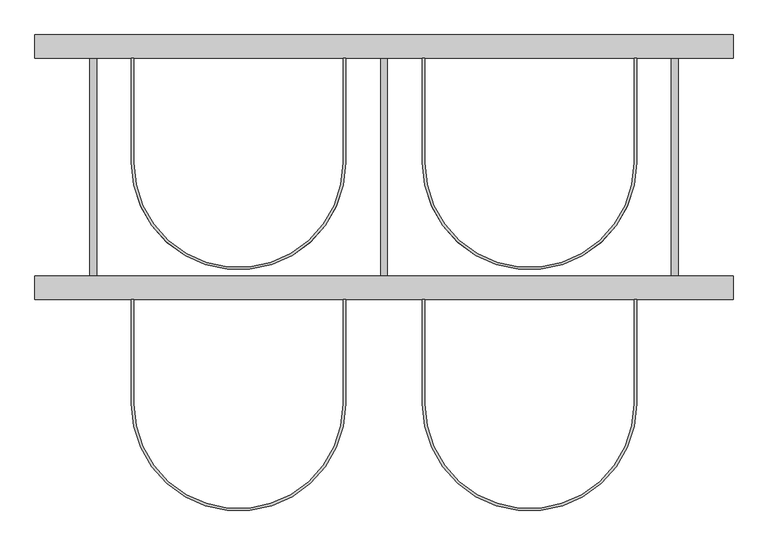
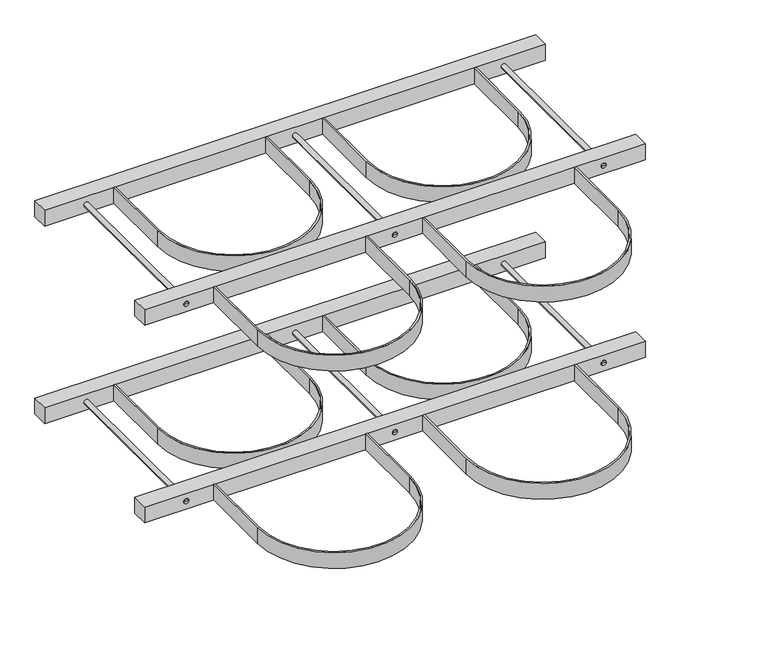
"""IFC4 building model written with IfcOpenShell, lengths in millimetres: proxy geometry."""

import ifcopenshell
import ifcopenshell.guid

model = None  # the IFC model being written
_history = None  # IfcOwnerHistory: only IFC2X3 demands one
_inside = {}  # id of a spatial element -> (the spatial element, [elements in it])
_under = {}  # id of a project, library or spatial element -> (it, [spatial elements below it])
_declared = {}  # id of a project -> (the project, [libraries it declares])
_typed = {}  # id of a type object -> (the type object, [elements of that type])
_made_of = {}  # id of a material, layer set ... -> (it, [elements and type objects made of it])


def new_model(schema):
    """Start an empty IFC model of exactly this schema.

    Asked for "IFC4X3", IfcOpenShell would pick the latest addendum, in which some entities
    have other attributes; the version numbers below select the first issue.
    IFC2X3 requires an IfcOwnerHistory on every rooted entity: one is made here for all.
    """
    global model, _history
    if schema == "IFC4X3":
        model = ifcopenshell.file(schema_version=(4, 3, 0, 0))
    else:
        model = ifcopenshell.file(schema=schema)
    _inside.clear()
    _under.clear()
    _declared.clear()
    _typed.clear()
    _made_of.clear()
    _history = None
    if model.schema == "IFC2X3":
        org = make("IfcOrganization", Name="unknown")
        user = make(
            "IfcPersonAndOrganization",
            ThePerson=make("IfcPerson", FamilyName="unknown"),
            TheOrganization=org,
        )
        app = make(
            "IfcApplication",
            ApplicationDeveloper=org,
            Version="unknown",
            ApplicationFullName="unknown",
            ApplicationIdentifier="unknown",
        )
        _history = make(
            "IfcOwnerHistory",
            OwningUser=user,
            OwningApplication=app,
            ChangeAction="ADDED",
            CreationDate=0,
        )
    return model


def make(cls, **values):
    """One entity of the class cls with the attributes given. An attribute that is None is left unset."""
    return model.create_entity(
        cls, **{name: value for name, value in values.items() if value is not None}
    )


def rooted(cls, **values):
    """An entity with a GlobalId (a new one), such as an element, a storey or a relation."""
    return make(cls, GlobalId=ifcopenshell.guid.new(), OwnerHistory=_history, **values)


def si_unit(unit_type, name, prefix=None):
    """IfcSIUnit, for example si_unit("LENGTHUNIT", "METRE", prefix="MILLI")."""
    return make("IfcSIUnit", UnitType=unit_type, Prefix=prefix, Name=name)


def assignment(units):
    """IfcUnitAssignment: the units of a project."""
    return None if units is None else make("IfcUnitAssignment", Units=units)


def point(xyz):
    """IfcCartesianPoint."""
    return None if xyz is None else make("IfcCartesianPoint", Coordinates=xyz)


def direction(xyz):
    """IfcDirection."""
    return None if xyz is None else make("IfcDirection", DirectionRatios=xyz)


def frame(location, z_axis=None, x_axis=None):
    """IfcAxis2Placement3D, a coordinate frame: its origin and axes. An axis left out is left unset."""
    return make(
        "IfcAxis2Placement3D",
        Location=point(location),
        Axis=direction(z_axis),
        RefDirection=direction(x_axis),
    )


def frame_2d(location, x_axis=None):
    """IfcAxis2Placement2D, a coordinate frame in the plane: its origin and x axis."""
    return make(
        "IfcAxis2Placement2D", Location=point(location), RefDirection=direction(x_axis)
    )


def origin():
    """The frame at (0, 0, 0) with its axes left unset."""
    return frame((0.0, 0.0, 0.0))


def origin_2d():
    """The frame at (0, 0) in the plane with its x axis left unset."""
    return frame_2d((0.0, 0.0))


def place(relative_to, where):
    """IfcLocalPlacement: puts the frame where relative to a parent placement (None: the world)."""
    return make(
        "IfcLocalPlacement", PlacementRelTo=relative_to, RelativePlacement=where
    )


def context(
    kind, dimensions, precision=None, world=None, true_north=None, identifier=None
):
    """IfcGeometricRepresentationContext, for example the 3D "Model" context."""
    return make(
        "IfcGeometricRepresentationContext",
        ContextIdentifier=identifier,
        ContextType=kind,
        CoordinateSpaceDimension=dimensions,
        Precision=precision,
        WorldCoordinateSystem=world,
        TrueNorth=true_north,
    )


def project(units=None, contexts=None):
    """IfcProject with its units and contexts."""
    return rooted(
        "IfcProject",
        Name="project",
        RepresentationContexts=contexts,
        UnitsInContext=assignment(units),
    )


def spatial(cls, under=None, at=None, **own):
    """A site, building, storey or space (cls), placed at a placement, below another one or the project."""
    s = rooted(cls, ObjectPlacement=at, **own)
    if under is not None:
        _under.setdefault(under.id(), (under, []))[1].append(s)
    return s


def polyline(points):
    """IfcPolyline through the points."""
    return make("IfcPolyline", Points=[point(p) for p in points])


def circle_curve(where, radius):
    """IfcCircle in the frame where."""
    return make("IfcCircle", Position=where, Radius=radius)


def trimmed(basis, trim1, trim2, sense, master):
    """IfcTrimmedCurve: the piece of a basis curve between two trims."""
    return make(
        "IfcTrimmedCurve",
        BasisCurve=basis,
        Trim1=trim1,
        Trim2=trim2,
        SenseAgreement=sense,
        MasterRepresentation=master,
    )


def segment(curve, same_sense, transition):
    """IfcCompositeCurveSegment."""
    return make(
        "IfcCompositeCurveSegment",
        Transition=transition,
        SameSense=same_sense,
        ParentCurve=curve,
    )


def composite_curve(segments, self_intersect=None):
    """IfcCompositeCurve: segments joined end to end."""
    return make("IfcCompositeCurve", Segments=segments, SelfIntersect=self_intersect)


def outline(outer, holes=None, kind="AREA"):
    """IfcArbitraryClosedProfileDef: a profile drawn as a closed curve; with holes, ...WithVoids."""
    if holes is None:
        return make("IfcArbitraryClosedProfileDef", ProfileType=kind, OuterCurve=outer)
    return make(
        "IfcArbitraryProfileDefWithVoids",
        ProfileType=kind,
        OuterCurve=outer,
        InnerCurves=holes,
    )


def extrude(swept, where, along, depth):
    """IfcExtrudedAreaSolid: the profile swept, set in the frame where, extruded along a direction by depth."""
    return make(
        "IfcExtrudedAreaSolid",
        SweptArea=swept,
        Position=where,
        ExtrudedDirection=direction(along),
        Depth=depth,
    )


def shape(context_of_items, identifier, shape_type, items):
    """IfcShapeRepresentation: the items that make up one representation, for example the "Body"."""
    return make(
        "IfcShapeRepresentation",
        ContextOfItems=context_of_items,
        RepresentationIdentifier=identifier,
        RepresentationType=shape_type,
        Items=items,
    )


def source(mapping_origin, context_of_items, identifier, shape_type, items):
    """IfcRepresentationMap: a shape defined once, which mapped items show again and again."""
    return make(
        "IfcRepresentationMap",
        MappingOrigin=mapping_origin,
        MappedRepresentation=shape(context_of_items, identifier, shape_type, items),
    )


def transform(
    local_origin,
    x_axis=None,
    y_axis=None,
    z_axis=None,
    scale=None,
    scale2=None,
    scale3=None,
    uniform=True,
):
    """IfcCartesianTransformationOperator3D, or its non-uniform kind. x_axis, y_axis, z_axis: its Axis1, 2, 3."""
    if uniform:
        return make(
            "IfcCartesianTransformationOperator3D",
            Axis1=direction(x_axis),
            Axis2=direction(y_axis),
            LocalOrigin=point(local_origin),
            Scale=scale,
            Axis3=direction(z_axis),
        )
    return make(
        "IfcCartesianTransformationOperator3DnonUniform",
        Axis1=direction(x_axis),
        Axis2=direction(y_axis),
        LocalOrigin=point(local_origin),
        Scale=scale,
        Axis3=direction(z_axis),
        Scale2=scale2,
        Scale3=scale3,
    )


def mapped(mapping_source, mapping_target):
    """IfcMappedItem: shows the shape of a source again, moved by a transform."""
    return make(
        "IfcMappedItem", MappingSource=mapping_source, MappingTarget=mapping_target
    )


def made_of(thing, what):
    """Note that an element or type object is made of a material, layer set ...; save() writes the relation."""
    if what is not None:
        _made_of.setdefault(what.id(), (what, []))[1].append(thing)
    return thing


def element(
    cls,
    number,
    at=None,
    inside=None,
    cuts=None,
    type_object=None,
    material=None,
    context=None,
    identifier="Body",
    shape_type=None,
    held_by="IfcProductDefinitionShape",
    body=None,
    shapes=None,
    **own,
):
    """One element of the class cls, such as IfcWall. Its Tag is "e" and its number.

    at: its placement. inside: the storey or other place that contains it. cuts: it is an
    opening in that element (IfcRelVoidsElement). A single representation is given by context,
    identifier, shape_type and body (its items); several are given by shapes. held_by: the class
    of the entity that holds the representations. save() writes the other relations.
    """
    e = rooted(cls, Tag="e%d" % number, ObjectPlacement=at, **own)
    if body is not None:
        shapes = [shape(context, identifier, shape_type, body)]
    if shapes is not None:
        e.Representation = make(held_by, Representations=shapes)
    if inside is not None:
        _inside.setdefault(inside.id(), (inside, []))[1].append(e)
    if cuts is not None:
        rooted(
            "IfcRelVoidsElement", RelatingBuildingElement=cuts, RelatedOpeningElement=e
        )
    if type_object is not None:
        _typed.setdefault(type_object.id(), (type_object, []))[1].append(e)
    return made_of(e, material)


def aggregate(whole, parts):
    """IfcRelAggregates: a whole, such as a stair, and the parts it consists of."""
    return rooted("IfcRelAggregates", RelatingObject=whole, RelatedObjects=parts)


def save(model, path):
    """Write the relations noted so far, then the file.

    IfcRelAggregates (storeys below a building ...), IfcRelContainedInSpatialStructure (elements
    in a storey), IfcRelDefinesByType, IfcRelAssociatesMaterial and IfcRelDeclares: one each for
    every whole, place, type object, material and project.
    """
    for whole, parts in _under.values():
        aggregate(whole, parts)
    for where, things in _inside.values():
        rooted(
            "IfcRelContainedInSpatialStructure",
            RelatedElements=things,
            RelatingStructure=where,
        )
    for kind, things in _typed.values():
        rooted("IfcRelDefinesByType", RelatedObjects=things, RelatingType=kind)
    for what, things in _made_of.values():
        rooted("IfcRelAssociatesMaterial", RelatedObjects=things, RelatingMaterial=what)
    for by, libraries in _declared.values():
        rooted("IfcRelDeclares", RelatingContext=by, RelatedDefinitions=libraries)
    model.write(path)


def plane_surface(at):
    """IfcPlane: the flat surface through the origin of the frame at, square to its z axis."""
    return make("IfcPlane", Position=at)


def cylinder_surface(at, radius):
    """IfcCylindricalSurface: all points at the distance radius from the z axis of the frame at."""
    return make("IfcCylindricalSurface", Position=at, Radius=radius)


def advanced_brep(points, edges, surfaces, faces):
    """IfcAdvancedBrep: a solid bounded by faces that lie on surfaces and meet in shared edges.

    An edge is (start, end): straight between two places in points (the first is 0);
    or (start, end, curve); or (start, end, curve, False) where it runs against its curve.
    A face is (place in surfaces, loops), or (place, loops, False) where it looks against
    its surface's normal. A loop lists edges by number (the first is 1), with a minus sign
    where the edge is run from its end to its start. The first loop is the outer one.
    """
    corners = [point(p) for p in points]
    vertices = [make("IfcVertexPoint", VertexGeometry=c) for c in corners]
    made = []
    for start, end, *more in edges:
        made.append(
            make(
                "IfcEdgeCurve",
                EdgeStart=vertices[start],
                EdgeEnd=vertices[end],
                EdgeGeometry=more[0] if more else make("IfcPolyline", Points=[corners[start], corners[end]]),
                SameSense=more[1] if len(more) > 1 else True,
            )
        )
    hull = []
    for where, loops, *sense in faces:
        bounds = []
        for j, loop in enumerate(loops):
            ring = [make("IfcOrientedEdge", EdgeElement=made[abs(k) - 1], Orientation=k > 0) for k in loop]
            bounds.append(
                make(
                    "IfcFaceOuterBound" if j == 0 else "IfcFaceBound",
                    Bound=make("IfcEdgeLoop", EdgeList=ring),
                    Orientation=True,
                )
            )
        hull.append(make("IfcAdvancedFace", Bounds=bounds, FaceSurface=surfaces[where], SameSense=sense[0] if sense else True))
    return make("IfcAdvancedBrep", Outer=make("IfcClosedShell", CfsFaces=hull))


def specialty_equipment_67b594d6(model_context):
    return source(origin(), model_context, "Body", "SolidModel", [
        extrude(outline(composite_curve([segment(polyline([(320.0, -235.0), (320.0, -415.0)]), True, "CONTINUOUS"), segment(trimmed(circle_curve(frame_2d((500.0, -415.0)), 180.0), [point((320.0, -415.0))], [point((680.0, -415.0))], True, "CARTESIAN"), True, "CONTINUOUS"), segment(polyline([(680.0, -415.0), (680.0, -235.0), (684.0, -235.0), (684.0, -415.0)]), True, "CONTINUOUS"), segment(trimmed(circle_curve(frame_2d((500.0, -415.0)), 184.0), [point((684.0, -415.0))], [point((316.0, -415.0))], False, "CARTESIAN"), True, "CONTINUOUS"), segment(polyline([(316.0, -415.0), (316.0, -235.0), (320.0, -235.0)]), True, "CONTINUOUS")], self_intersect=False)), frame((0.0, 0.0, 780.0), z_axis=(0.0, 0.0, 1.0), x_axis=(1.0, 0.0, 0.0)), (0.0, 0.0, 1.0), 40.0),
        advanced_brep(
        [(756.0, -235.0, 800.0), (744.0, -235.0, 800.0), (744.0, 180.0, 800.0), (756.0, 180.0, 800.0), (750.0, -235.0, 800.0), (750.0, 180.0, 800.0)],
        [
            (0, 1, circle_curve(frame((750.0, -235.0, 800.0), z_axis=(0.0, 1.0, 0.0), x_axis=(-1.0, 0.0, 0.0)), 6.0)),
            (1, 2),
            (2, 3, circle_curve(frame((750.0, 180.0, 800.0), z_axis=(0.0, -1.0, 0.0), x_axis=(-1.0, 0.0, 0.0)), 6.0)),
            (3, 0),
            (1, 0, circle_curve(frame((750.0, -235.0, 800.0), z_axis=(0.0, 1.0, 0.0), x_axis=(-1.0, 0.0, 0.0)), 6.0)),
            (3, 2, circle_curve(frame((750.0, 180.0, 800.0), z_axis=(0.0, -1.0, 0.0), x_axis=(-1.0, 0.0, 0.0)), 6.0)),
            (4, 1),
            (0, 4),
            (2, 5),
            (5, 3),
        ],
        [
            cylinder_surface(frame((750.0, 1704.0, 800.0), z_axis=(0.0, -1.0, 0.0), x_axis=(-1.0, 0.0, 0.0)), 6.0),
            plane_surface(frame((750.0, -235.0, 800.0), z_axis=(0.0, -1.0, 0.0), x_axis=(-1.0, 0.0, 0.0))),
            plane_surface(frame((750.0, 180.0, 800.0), z_axis=(0.0, 1.0, 0.0), x_axis=(-1.0, 0.0, 0.0))),
        ],
        [
            (0, [[1, 2, 3, 4]]),
            (0, [[5, -4, 6, -2]]),
            (1, [[7, -1, 8]]),
            (1, [[-8, -5, -7]]),
            (2, [[-3, 9, 10]]),
            (2, [[-6, -10, -9]]),
        ],
    ),
        advanced_brep(
        [(256.0, -235.0, 800.0), (244.0, -235.0, 800.0), (244.0, 180.0, 800.0), (256.0, 180.0, 800.0), (250.0, -235.0, 800.0), (250.0, 180.0, 800.0)],
        [
            (0, 1, circle_curve(frame((250.0, -235.0, 800.0), z_axis=(0.0, 1.0, 0.0), x_axis=(-1.0, 0.0, 0.0)), 6.0)),
            (1, 2),
            (2, 3, circle_curve(frame((250.0, 180.0, 800.0), z_axis=(0.0, -1.0, 0.0), x_axis=(-1.0, 0.0, 0.0)), 6.0)),
            (3, 0),
            (1, 0, circle_curve(frame((250.0, -235.0, 800.0), z_axis=(0.0, 1.0, 0.0), x_axis=(-1.0, 0.0, 0.0)), 6.0)),
            (3, 2, circle_curve(frame((250.0, 180.0, 800.0), z_axis=(0.0, -1.0, 0.0), x_axis=(-1.0, 0.0, 0.0)), 6.0)),
            (4, 1),
            (0, 4),
            (2, 5),
            (5, 3),
        ],
        [
            cylinder_surface(frame((250.0, 1704.0, 800.0), z_axis=(0.0, -1.0, 0.0), x_axis=(-1.0, 0.0, 0.0)), 6.0),
            plane_surface(frame((250.0, -235.0, 800.0), z_axis=(0.0, -1.0, 0.0), x_axis=(-1.0, 0.0, 0.0))),
            plane_surface(frame((250.0, 180.0, 800.0), z_axis=(0.0, 1.0, 0.0), x_axis=(-1.0, 0.0, 0.0))),
        ],
        [
            (0, [[1, 2, 3, 4]]),
            (0, [[5, -4, 6, -2]]),
            (1, [[7, -1, 8]]),
            (1, [[-8, -5, -7]]),
            (2, [[-3, 9, 10]]),
            (2, [[-6, -10, -9]]),
        ],
    ),
        extrude(outline(composite_curve([segment(polyline([(-180.0, -235.0), (-180.0, -415.0)]), True, "CONTINUOUS"), segment(trimmed(circle_curve(frame_2d((0.0, -415.0)), 180.0), [point((-180.0, -415.0))], [point((180.0, -415.0))], True, "CARTESIAN"), True, "CONTINUOUS"), segment(polyline([(180.0, -415.0), (180.0, -235.0), (184.0, -235.0), (184.0, -415.0)]), True, "CONTINUOUS"), segment(trimmed(circle_curve(frame_2d((0.0, -415.0)), 184.0), [point((184.0, -415.0))], [point((-184.0, -415.0))], False, "CARTESIAN"), True, "CONTINUOUS"), segment(polyline([(-184.0, -415.0), (-184.0, -235.0), (-180.0, -235.0)]), True, "CONTINUOUS")], self_intersect=False)), frame((0.0, 0.0, 780.0), z_axis=(0.0, 0.0, 1.0), x_axis=(1.0, 0.0, 0.0)), (0.0, 0.0, 1.0), 40.0),
        advanced_brep(
        [(-244.0, -235.0, 800.0), (-256.0, -235.0, 800.0), (-256.0, 180.0, 800.0), (-244.0, 180.0, 800.0), (-250.0, -235.0, 800.0), (-250.0, 180.0, 800.0)],
        [
            (0, 1, circle_curve(frame((-250.0, -235.0, 800.0), z_axis=(0.0, 1.0, 0.0), x_axis=(-1.0, 0.0, 0.0)), 6.0)),
            (1, 2),
            (2, 3, circle_curve(frame((-250.0, 180.0, 800.0), z_axis=(0.0, -1.0, 0.0), x_axis=(-1.0, 0.0, 0.0)), 6.0)),
            (3, 0),
            (1, 0, circle_curve(frame((-250.0, -235.0, 800.0), z_axis=(0.0, 1.0, 0.0), x_axis=(-1.0, 0.0, 0.0)), 6.0)),
            (3, 2, circle_curve(frame((-250.0, 180.0, 800.0), z_axis=(0.0, -1.0, 0.0), x_axis=(-1.0, 0.0, 0.0)), 6.0)),
            (4, 1),
            (0, 4),
            (2, 5),
            (5, 3),
        ],
        [
            cylinder_surface(frame((-250.0, 1704.0, 800.0), z_axis=(0.0, -1.0, 0.0), x_axis=(-1.0, 0.0, 0.0)), 6.0),
            plane_surface(frame((-250.0, -235.0, 800.0), z_axis=(0.0, -1.0, 0.0), x_axis=(-1.0, 0.0, 0.0))),
            plane_surface(frame((-250.0, 180.0, 800.0), z_axis=(0.0, 1.0, 0.0), x_axis=(-1.0, 0.0, 0.0))),
        ],
        [
            (0, [[1, 2, 3, 4]]),
            (0, [[5, -4, 6, -2]]),
            (1, [[7, -1, 8]]),
            (1, [[-8, -5, -7]]),
            (2, [[-3, 9, 10]]),
            (2, [[-6, -10, -9]]),
        ],
    ),
        extrude(outline(composite_curve([segment(polyline([(320.0, 180.0), (320.0, 0.0)]), True, "CONTINUOUS"), segment(trimmed(circle_curve(frame_2d((500.0, 0.0)), 180.0), [point((320.0, 0.0))], [point((680.0, 0.0))], True, "CARTESIAN"), True, "CONTINUOUS"), segment(polyline([(680.0, 0.0), (680.0, 180.0), (684.0, 180.0), (684.0, 0.0)]), True, "CONTINUOUS"), segment(trimmed(circle_curve(frame_2d((500.0, 0.0)), 184.0), [point((684.0, 0.0))], [point((316.0, 0.0))], False, "CARTESIAN"), True, "CONTINUOUS"), segment(polyline([(316.0, 0.0), (316.0, 180.0), (320.0, 180.0)]), True, "CONTINUOUS")], self_intersect=False)), frame((0.0, 0.0, 780.0), z_axis=(0.0, 0.0, 1.0), x_axis=(1.0, 0.0, 0.0)), (0.0, 0.0, 1.0), 40.0),
        extrude(outline(composite_curve([segment(polyline([(-180.0, 180.0), (-180.0, 0.0)]), True, "CONTINUOUS"), segment(trimmed(circle_curve(origin_2d(), 180.0), [point((-180.0, 0.0))], [point((180.0, 0.0))], True, "CARTESIAN"), True, "CONTINUOUS"), segment(polyline([(180.0, 0.0), (180.0, 180.0), (184.0, 180.0), (184.0, 0.0)]), True, "CONTINUOUS"), segment(trimmed(circle_curve(origin_2d(), 184.0), [point((184.0, 0.0))], [point((-184.0, 0.0))], False, "CARTESIAN"), True, "CONTINUOUS"), segment(polyline([(-184.0, 0.0), (-184.0, 180.0), (-180.0, 180.0)]), True, "CONTINUOUS")], self_intersect=False)), frame((0.0, 0.0, 780.0), z_axis=(0.0, 0.0, 1.0), x_axis=(1.0, 0.0, 0.0)), (0.0, 0.0, 1.0), 40.0),
        extrude(outline(polyline([(850.0, -235.0), (-350.0, -235.0), (-350.0, -195.0), (850.0, -195.0), (850.0, -235.0)])), frame((0.0, 0.0, 780.0), z_axis=(0.0, 0.0, 1.0), x_axis=(1.0, 0.0, 0.0)), (0.0, 0.0, 1.0), 40.0),
        extrude(outline(polyline([(850.0, 180.0), (-350.0, 180.0), (-350.0, 220.0), (850.0, 220.0), (850.0, 180.0)])), frame((0.0, 0.0, 780.0), z_axis=(0.0, 0.0, 1.0), x_axis=(1.0, 0.0, 0.0)), (0.0, 0.0, 1.0), 40.0),
        extrude(outline(composite_curve([segment(polyline([(320.0, -235.0), (320.0, -415.0)]), True, "CONTINUOUS"), segment(trimmed(circle_curve(frame_2d((500.0, -415.0)), 180.0), [point((320.0, -415.0))], [point((680.0, -415.0))], True, "CARTESIAN"), True, "CONTINUOUS"), segment(polyline([(680.0, -415.0), (680.0, -235.0), (684.0, -235.0), (684.0, -415.0)]), True, "CONTINUOUS"), segment(trimmed(circle_curve(frame_2d((500.0, -415.0)), 184.0), [point((684.0, -415.0))], [point((316.0, -415.0))], False, "CARTESIAN"), True, "CONTINUOUS"), segment(polyline([(316.0, -415.0), (316.0, -235.0), (320.0, -235.0)]), True, "CONTINUOUS")], self_intersect=False)), frame((0.0, 0.0, 280.0), z_axis=(0.0, 0.0, 1.0), x_axis=(1.0, 0.0, 0.0)), (0.0, 0.0, 1.0), 40.0),
        advanced_brep(
        [(756.0, -235.0, 300.0), (744.0, -235.0, 300.0), (744.0, 180.0, 300.0), (756.0, 180.0, 300.0), (750.0, -235.0, 300.0), (750.0, 180.0, 300.0)],
        [
            (0, 1, circle_curve(frame((750.0, -235.0, 300.0), z_axis=(0.0, 1.0, 0.0), x_axis=(-1.0, 0.0, 0.0)), 6.0)),
            (1, 2),
            (2, 3, circle_curve(frame((750.0, 180.0, 300.0), z_axis=(0.0, -1.0, 0.0), x_axis=(-1.0, 0.0, 0.0)), 6.0)),
            (3, 0),
            (1, 0, circle_curve(frame((750.0, -235.0, 300.0), z_axis=(0.0, 1.0, 0.0), x_axis=(-1.0, 0.0, 0.0)), 6.0)),
            (3, 2, circle_curve(frame((750.0, 180.0, 300.0), z_axis=(0.0, -1.0, 0.0), x_axis=(-1.0, 0.0, 0.0)), 6.0)),
            (4, 1),
            (0, 4),
            (2, 5),
            (5, 3),
        ],
        [
            cylinder_surface(frame((750.0, 1704.0, 300.0), z_axis=(0.0, -1.0, 0.0), x_axis=(-1.0, 0.0, 0.0)), 6.0),
            plane_surface(frame((750.0, -235.0, 300.0), z_axis=(0.0, -1.0, 0.0), x_axis=(-1.0, 0.0, 0.0))),
            plane_surface(frame((750.0, 180.0, 300.0), z_axis=(0.0, 1.0, 0.0), x_axis=(-1.0, 0.0, 0.0))),
        ],
        [
            (0, [[1, 2, 3, 4]]),
            (0, [[5, -4, 6, -2]]),
            (1, [[7, -1, 8]]),
            (1, [[-8, -5, -7]]),
            (2, [[-3, 9, 10]]),
            (2, [[-6, -10, -9]]),
        ],
    ),
        advanced_brep(
        [(256.0, -235.0, 300.0), (244.0, -235.0, 300.0), (244.0, 180.0, 300.0), (256.0, 180.0, 300.0), (250.0, -235.0, 300.0), (250.0, 180.0, 300.0)],
        [
            (0, 1, circle_curve(frame((250.0, -235.0, 300.0), z_axis=(0.0, 1.0, 0.0), x_axis=(-1.0, 0.0, 0.0)), 6.0)),
            (1, 2),
            (2, 3, circle_curve(frame((250.0, 180.0, 300.0), z_axis=(0.0, -1.0, 0.0), x_axis=(-1.0, 0.0, 0.0)), 6.0)),
            (3, 0),
            (1, 0, circle_curve(frame((250.0, -235.0, 300.0), z_axis=(0.0, 1.0, 0.0), x_axis=(-1.0, 0.0, 0.0)), 6.0)),
            (3, 2, circle_curve(frame((250.0, 180.0, 300.0), z_axis=(0.0, -1.0, 0.0), x_axis=(-1.0, 0.0, 0.0)), 6.0)),
            (4, 1),
            (0, 4),
            (2, 5),
            (5, 3),
        ],
        [
            cylinder_surface(frame((250.0, 1704.0, 300.0), z_axis=(0.0, -1.0, 0.0), x_axis=(-1.0, 0.0, 0.0)), 6.0),
            plane_surface(frame((250.0, -235.0, 300.0), z_axis=(0.0, -1.0, 0.0), x_axis=(-1.0, 0.0, 0.0))),
            plane_surface(frame((250.0, 180.0, 300.0), z_axis=(0.0, 1.0, 0.0), x_axis=(-1.0, 0.0, 0.0))),
        ],
        [
            (0, [[1, 2, 3, 4]]),
            (0, [[5, -4, 6, -2]]),
            (1, [[7, -1, 8]]),
            (1, [[-8, -5, -7]]),
            (2, [[-3, 9, 10]]),
            (2, [[-6, -10, -9]]),
        ],
    ),
        extrude(outline(composite_curve([segment(polyline([(-180.0, -235.0), (-180.0, -415.0)]), True, "CONTINUOUS"), segment(trimmed(circle_curve(frame_2d((0.0, -415.0)), 180.0), [point((-180.0, -415.0))], [point((180.0, -415.0))], True, "CARTESIAN"), True, "CONTINUOUS"), segment(polyline([(180.0, -415.0), (180.0, -235.0), (184.0, -235.0), (184.0, -415.0)]), True, "CONTINUOUS"), segment(trimmed(circle_curve(frame_2d((0.0, -415.0)), 184.0), [point((184.0, -415.0))], [point((-184.0, -415.0))], False, "CARTESIAN"), True, "CONTINUOUS"), segment(polyline([(-184.0, -415.0), (-184.0, -235.0), (-180.0, -235.0)]), True, "CONTINUOUS")], self_intersect=False)), frame((0.0, 0.0, 280.0), z_axis=(0.0, 0.0, 1.0), x_axis=(1.0, 0.0, 0.0)), (0.0, 0.0, 1.0), 40.0),
        advanced_brep(
        [(-244.0, -235.0, 300.0), (-256.0, -235.0, 300.0), (-256.0, 180.0, 300.0), (-244.0, 180.0, 300.0), (-250.0, -235.0, 300.0), (-250.0, 180.0, 300.0)],
        [
            (0, 1, circle_curve(frame((-250.0, -235.0, 300.0), z_axis=(0.0, 1.0, 0.0), x_axis=(-1.0, 0.0, 0.0)), 6.0)),
            (1, 2),
            (2, 3, circle_curve(frame((-250.0, 180.0, 300.0), z_axis=(0.0, -1.0, 0.0), x_axis=(-1.0, 0.0, 0.0)), 6.0)),
            (3, 0),
            (1, 0, circle_curve(frame((-250.0, -235.0, 300.0), z_axis=(0.0, 1.0, 0.0), x_axis=(-1.0, 0.0, 0.0)), 6.0)),
            (3, 2, circle_curve(frame((-250.0, 180.0, 300.0), z_axis=(0.0, -1.0, 0.0), x_axis=(-1.0, 0.0, 0.0)), 6.0)),
            (4, 1),
            (0, 4),
            (2, 5),
            (5, 3),
        ],
        [
            cylinder_surface(frame((-250.0, 1704.0, 300.0), z_axis=(0.0, -1.0, 0.0), x_axis=(-1.0, 0.0, 0.0)), 6.0),
            plane_surface(frame((-250.0, -235.0, 300.0), z_axis=(0.0, -1.0, 0.0), x_axis=(-1.0, 0.0, 0.0))),
            plane_surface(frame((-250.0, 180.0, 300.0), z_axis=(0.0, 1.0, 0.0), x_axis=(-1.0, 0.0, 0.0))),
        ],
        [
            (0, [[1, 2, 3, 4]]),
            (0, [[5, -4, 6, -2]]),
            (1, [[7, -1, 8]]),
            (1, [[-8, -5, -7]]),
            (2, [[-3, 9, 10]]),
            (2, [[-6, -10, -9]]),
        ],
    ),
        extrude(outline(composite_curve([segment(polyline([(320.0, 180.0), (320.0, 0.0)]), True, "CONTINUOUS"), segment(trimmed(circle_curve(frame_2d((500.0, 0.0)), 180.0), [point((320.0, 0.0))], [point((680.0, 0.0))], True, "CARTESIAN"), True, "CONTINUOUS"), segment(polyline([(680.0, 0.0), (680.0, 180.0), (684.0, 180.0), (684.0, 0.0)]), True, "CONTINUOUS"), segment(trimmed(circle_curve(frame_2d((500.0, 0.0)), 184.0), [point((684.0, 0.0))], [point((316.0, 0.0))], False, "CARTESIAN"), True, "CONTINUOUS"), segment(polyline([(316.0, 0.0), (316.0, 180.0), (320.0, 180.0)]), True, "CONTINUOUS")], self_intersect=False)), frame((0.0, 0.0, 280.0), z_axis=(0.0, 0.0, 1.0), x_axis=(1.0, 0.0, 0.0)), (0.0, 0.0, 1.0), 40.0),
        extrude(outline(composite_curve([segment(polyline([(-180.0, 180.0), (-180.0, 0.0)]), True, "CONTINUOUS"), segment(trimmed(circle_curve(origin_2d(), 180.0), [point((-180.0, 0.0))], [point((180.0, 0.0))], True, "CARTESIAN"), True, "CONTINUOUS"), segment(polyline([(180.0, 0.0), (180.0, 180.0), (184.0, 180.0), (184.0, 0.0)]), True, "CONTINUOUS"), segment(trimmed(circle_curve(origin_2d(), 184.0), [point((184.0, 0.0))], [point((-184.0, 0.0))], False, "CARTESIAN"), True, "CONTINUOUS"), segment(polyline([(-184.0, 0.0), (-184.0, 180.0), (-180.0, 180.0)]), True, "CONTINUOUS")], self_intersect=False)), frame((0.0, 0.0, 280.0), z_axis=(0.0, 0.0, 1.0), x_axis=(1.0, 0.0, 0.0)), (0.0, 0.0, 1.0), 40.0),
        extrude(outline(polyline([(850.0, -235.0), (-350.0, -235.0), (-350.0, -195.0), (850.0, -195.0), (850.0, -235.0)])), frame((0.0, 0.0, 280.0), z_axis=(0.0, 0.0, 1.0), x_axis=(1.0, 0.0, 0.0)), (0.0, 0.0, 1.0), 40.0),
        extrude(outline(polyline([(850.0, 180.0), (-350.0, 180.0), (-350.0, 220.0), (850.0, 220.0), (850.0, 180.0)])), frame((0.0, 0.0, 280.0), z_axis=(0.0, 0.0, 1.0), x_axis=(1.0, 0.0, 0.0)), (0.0, 0.0, 1.0), 40.0),
    ])


if __name__ == "__main__":
    model = new_model("IFC4")
    model_context = context("Model", 3, world=origin())
    ifc_project = project(units=[si_unit("LENGTHUNIT", "METRE", prefix="MILLI")], contexts=[model_context])
    site = spatial("IfcSite", under=ifc_project)
    building = spatial("IfcBuilding", under=site)
    placement = place(None, origin())
    specialty_equipment_shape = specialty_equipment_67b594d6(model_context)
    element("IfcBuildingElementProxy", 1, Name="Specialty Equipment", at=placement, inside=building, context=model_context, shape_type="MappedRepresentation", body=[
        mapped(specialty_equipment_shape, transform((0.0, 0.0, 0.0), x_axis=(1.0, 0.0, 0.0), y_axis=(0.0, 1.0, 0.0), z_axis=(0.0, 0.0, 1.0))),
    ])
    save(model, "model.ifc")
